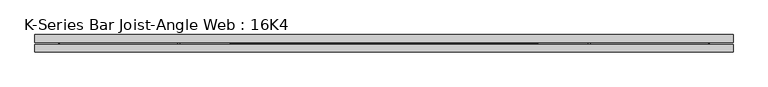
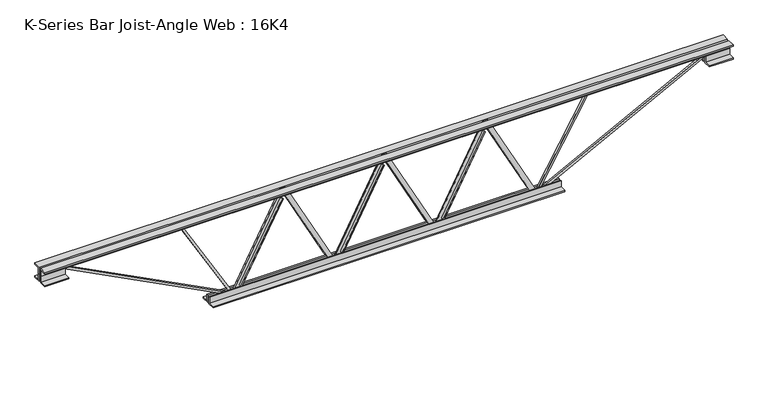
"""IFC4 building model written with IfcOpenShell, lengths in millimetres: beam geometry, K-Series Bar Joist-Angle Web : 16K4."""

from ifc_helpers import new_model, si_unit, frame, origin, place, context, project, spatial, polyline, outline, extrude, faceted_brep, source, transform, mapped, element, save


def k_series_bar_joist_angle_web_16k4_ba3ae1af(model_context):
    return source(origin(), model_context, "Body", "SolidModel", [
        extrude(outline(polyline([(-4.7625, 4.7625), (-4.7625, 0.0), (-17.4625, 0.0), (-17.4625, 4.7625), (-4.7625, 4.7625)])), frame((183.2575785, 0.0, -165.1), z_axis=(-0.46675861955813913, 0.0, 0.884384752846961), x_axis=(0.0, -1.0, 0.0)), (0.0, 0.0, 1.0), 373.3669073),
        extrude(outline(polyline([(-200.025, 213.7833333), (-180.975, 213.7833333), (-180.975, 213.1764492), (200.025, 12.0931159), (200.025, -6.35), (180.975, -6.35), (180.975, 0.6068841), (-200.025, 201.6902174), (-200.025, 213.7833333)])), frame((0.0, 0.0, 0.0), z_axis=(0.0, 1.0, 0.0), x_axis=(0.0, 0.0, 1.0)), (0.0, 0.0, 1.0), 4.7625),
        faceted_brep([(-213.7833333, 0.0, -180.975), (-213.7833333, 0.0, -200.025), (-213.7833333, -4.7625, -200.025), (-213.7833333, -4.7625, -180.975), (-213.1764492, 0.0, -180.975), (-12.0931159, 0.0, 200.025), (6.35, 0.0, 200.025), (6.35, 0.0, 180.975), (-0.6068841, 0.0, 180.975), (-201.6902174, 0.0, -200.025), (-201.6902174, -4.7625, -200.025), (-183.2575785, -4.7625, -165.1), (-187.4694609, -4.7625, -162.8770621), (-13.1972387, -4.7625, 167.3229379), (-8.9853563, -4.7625, 165.1), (-0.6068841, -4.7625, 180.975), (6.35, -4.7625, 180.975), (6.35, -4.7625, 200.025), (-12.0931159, -4.7625, 200.025), (-213.1764492, -4.7625, -180.975), (-8.9853563, -17.4625, 165.1), (-183.2575785, -17.4625, -165.1), (-187.4694609, -17.4625, -162.8770621), (-13.1972387, -17.4625, 167.3229379)], [[[0, 1, 2, 3]], [[1, 0, 4, 5, 6, 7, 8, 9]], [[2, 1, 9, 10]], [[3, 2, 10, 11, 12, 13, 14, 15, 16, 17, 18, 19]], [[0, 3, 19, 4]], [[9, 8, 15, 14, 20, 21, 11, 10]], [[5, 4, 19, 18]], [[7, 6, 17, 16]], [[8, 7, 16, 15]], [[6, 5, 18, 17]], [[21, 22, 12, 11]], [[20, 14, 13, 23]], [[22, 21, 20, 23]], [[12, 22, 23, 13]]]),
        extrude(outline(polyline([(-4.7625, 4.7625), (-4.7625, 0.0), (-17.4625, 0.0), (-17.4625, 4.7625), (-4.7625, 4.7625)])), frame((610.8242452, 0.0, -165.1), z_axis=(-0.46675861955813913, 0.0, 0.884384752846961), x_axis=(0.0, -1.0, 0.0)), (0.0, 0.0, 1.0), 373.3669073),
        extrude(outline(polyline([(-200.025, 641.35), (-180.975, 641.35), (-180.975, 640.7431159), (200.025, 439.6597826), (200.025, 421.2166667), (180.975, 421.2166667), (180.975, 428.1735508), (-200.025, 629.2568841), (-200.025, 641.35)])), frame((0.0, 0.0, 0.0), z_axis=(0.0, 1.0, 0.0), x_axis=(0.0, 0.0, 1.0)), (0.0, 0.0, 1.0), 4.7625),
        faceted_brep([(213.7833333, 0.0, -180.975), (213.7833333, 0.0, -200.025), (213.7833333, -4.7625, -200.025), (213.7833333, -4.7625, -180.975), (214.3902174, 0.0, -180.975), (415.4735508, 0.0, 200.025), (433.9166667, 0.0, 200.025), (433.9166667, 0.0, 180.975), (426.9597826, 0.0, 180.975), (225.8764492, 0.0, -200.025), (225.8764492, -4.7625, -200.025), (244.3090881, -4.7625, -165.1), (240.0972058, -4.7625, -162.8770621), (414.369428, -4.7625, 167.3229379), (418.5813104, -4.7625, 165.1), (426.9597826, -4.7625, 180.975), (433.9166667, -4.7625, 180.975), (433.9166667, -4.7625, 200.025), (415.4735508, -4.7625, 200.025), (214.3902174, -4.7625, -180.975), (418.5813104, -17.4625, 165.1), (244.3090881, -17.4625, -165.1), (240.0972058, -17.4625, -162.8770621), (414.369428, -17.4625, 167.3229379)], [[[0, 1, 2, 3]], [[1, 0, 4, 5, 6, 7, 8, 9]], [[2, 1, 9, 10]], [[3, 2, 10, 11, 12, 13, 14, 15, 16, 17, 18, 19]], [[0, 3, 19, 4]], [[9, 8, 15, 14, 20, 21, 11, 10]], [[5, 4, 19, 18]], [[7, 6, 17, 16]], [[8, 7, 16, 15]], [[6, 5, 18, 17]], [[21, 22, 12, 11]], [[20, 14, 13, 23]], [[22, 21, 20, 23]], [[12, 22, 23, 13]]]),
        extrude(outline(polyline([(-4.7625, 4.7624999), (-4.7625, 0.0), (-17.4625, 0.0), (-17.4625, 4.7624999), (-4.7625, 4.7624999)])), frame((-244.3090881, 0.0, -165.1), z_axis=(-0.46675861955813913, 0.0, 0.884384752846961), x_axis=(0.0, -1.0, 0.0)), (0.0, 0.0, 1.0), 373.3669073),
        extrude(outline(polyline([(-200.025, -213.7833333), (-180.975, -213.7833333), (-180.975, -214.3902174), (200.025, -415.4735508), (200.025, -433.9166667), (180.975, -433.9166667), (180.975, -426.9597826), (-200.025, -225.8764492), (-200.025, -213.7833333)])), frame((0.0, 0.0, 0.0), z_axis=(0.0, 1.0, 0.0), x_axis=(0.0, 0.0, 1.0)), (0.0, 0.0, 1.0), 4.7625),
        faceted_brep([(-641.35, 0.0, -180.975), (-641.35, 0.0, -200.025), (-641.35, -4.7625, -200.025), (-641.35, -4.7625, -180.975), (-640.7431159, 0.0, -180.975), (-439.6597826, 0.0, 200.025), (-421.2166667, 0.0, 200.025), (-421.2166667, 0.0, 180.975), (-428.1735508, 0.0, 180.975), (-629.2568841, 0.0, -200.025), (-629.2568841, -4.7625, -200.025), (-610.8242452, -4.7625, -165.1), (-615.0361276, -4.7625, -162.8770621), (-440.7639054, -4.7625, 167.3229379), (-436.552023, -4.7625, 165.1), (-428.1735508, -4.7625, 180.975), (-421.2166667, -4.7625, 180.975), (-421.2166667, -4.7625, 200.025), (-439.6597826, -4.7625, 200.025), (-640.7431159, -4.7625, -180.975), (-436.552023, -17.4625, 165.1), (-610.8242452, -17.4625, -165.1), (-615.0361276, -17.4625, -162.8770621), (-440.7639054, -17.4625, 167.3229379)], [[[0, 1, 2, 3]], [[1, 0, 4, 5, 6, 7, 8, 9]], [[2, 1, 9, 10]], [[3, 2, 10, 11, 12, 13, 14, 15, 16, 17, 18, 19]], [[0, 3, 19, 4]], [[9, 8, 15, 14, 20, 21, 11, 10]], [[5, 4, 19, 18]], [[7, 6, 17, 16]], [[8, 7, 16, 15]], [[6, 5, 18, 17]], [[21, 22, 12, 11]], [[20, 14, 13, 23]], [[22, 21, 20, 23]], [[12, 22, 23, 13]]]),
        extrude(outline(polyline([(4.7625, 203.2), (36.5125, 203.2), (36.5125, 196.85), (11.1125, 196.85), (11.1125, 171.45), (4.7625, 171.45), (4.7625, 203.2)])), frame((-1454.15, 0.0, 0.0), z_axis=(1.0, 0.0, 0.0), x_axis=(0.0, 1.0, 0.0)), (0.0, 0.0, 1.0), 2908.3),
        extrude(outline(polyline([(-4.7625, 203.2), (-4.7625, 171.45), (-11.1125, 171.45), (-11.1125, 196.85), (-36.5125, 196.85), (-36.5125, 203.2), (-4.7625, 203.2)])), frame((-1454.15, 0.0, 0.0), z_axis=(1.0, 0.0, 0.0), x_axis=(0.0, 1.0, 0.0)), (0.0, 0.0, 1.0), 2908.3),
        extrude(outline(polyline([(-4.7625, 139.7), (-36.5125, 139.7), (-36.5125, 146.05), (-11.1125, 146.05), (-11.1125, 171.45), (-4.7625, 171.45), (-4.7625, 139.7)])), frame((-1454.15, 0.0, 0.0), z_axis=(1.0, 0.0, 0.0), x_axis=(0.0, 1.0, 0.0)), (0.0, 0.0, 1.0), 101.6),
        extrude(outline(polyline([(36.5125, 139.7), (4.7625, 139.7), (4.7625, 171.45), (11.1125, 171.45), (11.1125, 146.05), (36.5125, 146.05), (36.5125, 139.7)])), frame((-1454.15, 0.0, 0.0), z_axis=(1.0, 0.0, 0.0), x_axis=(0.0, 1.0, 0.0)), (0.0, 0.0, 1.0), 101.6),
        extrude(outline(polyline([(4.7625, 139.7), (4.7625, 171.45), (11.1125, 171.45), (11.1125, 146.05), (36.5125, 146.05), (36.5125, 139.7), (4.7625, 139.7)])), frame((1352.55, 0.0, 0.0), z_axis=(1.0, 0.0, 0.0), x_axis=(0.0, 1.0, 0.0)), (0.0, 0.0, 1.0), 101.6),
        extrude(outline(polyline([(-4.7625, 139.7), (-36.5125, 139.7), (-36.5125, 146.05), (-11.1125, 146.05), (-11.1125, 171.45), (-4.7625, 171.45), (-4.7625, 139.7)])), frame((1352.55, 0.0, 0.0), z_axis=(1.0, 0.0, 0.0), x_axis=(0.0, 1.0, 0.0)), (0.0, 0.0, 1.0), 101.6),
        extrude(outline(polyline([(4.7625, -203.2), (4.7625, -171.45), (11.1125, -171.45), (11.1125, -196.85), (36.5125, -196.85), (36.5125, -203.2), (4.7625, -203.2)])), frame((-742.95, 0.0, 0.0), z_axis=(1.0, 0.0, 0.0), x_axis=(0.0, 1.0, 0.0)), (0.0, 0.0, 1.0), 1485.9),
        extrude(outline(polyline([(-4.7625, -203.2), (-36.5125, -203.2), (-36.5125, -196.85), (-11.1125, -196.85), (-11.1125, -171.45), (-4.7625, -171.45), (-4.7625, -203.2)])), frame((-742.95, 0.0, 0.0), z_axis=(1.0, 0.0, 0.0), x_axis=(0.0, 1.0, 0.0)), (0.0, 0.0, 1.0), 1485.9),
        extrude(outline(polyline([(4.7625, 4.7625), (4.7625, -4.7625), (-4.7625, -4.7625), (-4.7625, 4.7625), (4.7625, 4.7625)])), frame((641.35, 0.0, -196.85), z_axis=(0.5020156028347292, 0.0, 0.8648585632983484), x_axis=(0.0, -1.0, 0.0)), (0.0, 0.0, 1.0), 425.8499778),
        extrude(outline(polyline([(4.7625, 4.7625), (4.7625, -4.7625), (-4.7625, -4.7625), (-4.7625, 4.7625), (4.7625, 4.7625)])), frame((-641.35, 0.0, -196.85), z_axis=(-0.5020156028346967, 0.0, 0.8648585632983673), x_axis=(0.0, -1.0, 0.0)), (0.0, 0.0, 1.0), 425.8499778),
        extrude(outline(polyline([(0.0, -9.525), (0.0, 0.0), (800.9059433, 0.0), (800.9059433, -9.525), (0.0, -9.525)])), frame((1354.7400559, -4.7625, 167.2209266), z_axis=(-0.4598542476610152, 0.0, 0.8879944092775145), x_axis=(-0.8879944092775145, 0.0, -0.4598542476610152)), (0.0, 0.0, 1.0), 9.525),
        extrude(outline(polyline([(0.0, -9.525), (0.0, 0.0), (800.9059433, 0.0), (800.9059433, -9.525), (0.0, -9.525)])), frame((-1354.7400559, 4.7625, 167.2209266), z_axis=(0.45985424766101235, 0.0, 0.8879944092775158), x_axis=(0.8879944092775158, 0.0, -0.45985424766101235)), (0.0, 0.0, 1.0), 9.525),
    ])


if __name__ == "__main__":
    model = new_model("IFC4")
    model_context = context("Model", 3, world=origin())
    ifc_project = project(units=[si_unit("LENGTHUNIT", "METRE", prefix="MILLI")], contexts=[model_context])
    site = spatial("IfcSite", under=ifc_project)
    building = spatial("IfcBuilding", under=site)
    placement = place(None, origin())
    k_series_bar_joist_angle_web_16k4_shape = k_series_bar_joist_angle_web_16k4_ba3ae1af(model_context)
    element("IfcBeam", 1, ObjectType="K-Series Bar Joist-Angle Web : 16K4", at=placement, inside=building, context=model_context, shape_type="MappedRepresentation", body=[
        mapped(k_series_bar_joist_angle_web_16k4_shape, transform((0.0, 0.0, 0.0), x_axis=(1.0, 0.0, 0.0), y_axis=(0.0, 1.0, 0.0), z_axis=(0.0, 0.0, 1.0))),
    ])
    save(model, "model.ifc")
